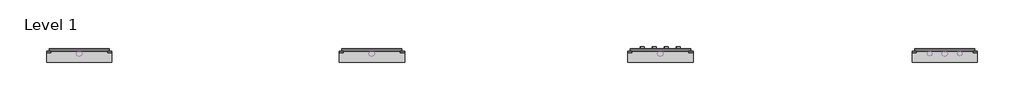
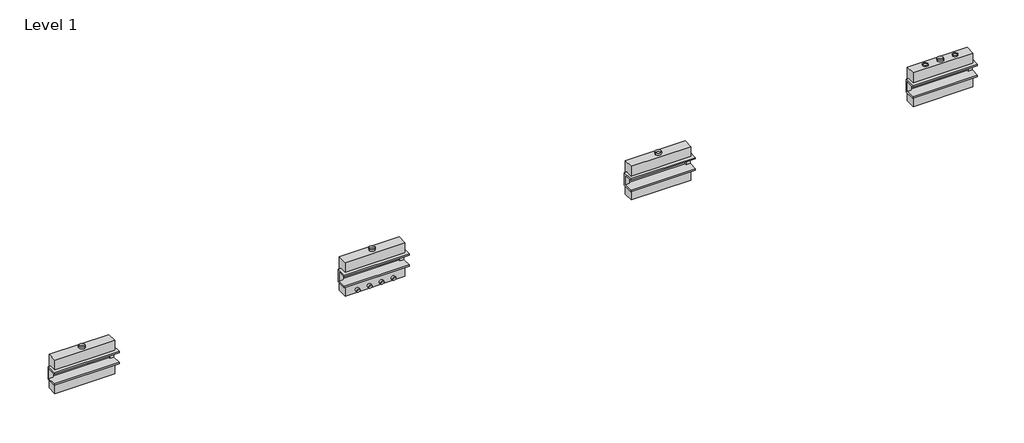
# One storey: 22 proxies.
"""IFC4 building model written with IfcOpenShell, lengths in millimetres."""

import ifcopenshell
import ifcopenshell.guid

model = None  # the IFC model being written
_history = None  # IfcOwnerHistory: only IFC2X3 demands one
_inside = {}  # id of a spatial element -> (the spatial element, [elements in it])
_under = {}  # id of a project, library or spatial element -> (it, [spatial elements below it])
_declared = {}  # id of a project -> (the project, [libraries it declares])
_typed = {}  # id of a type object -> (the type object, [elements of that type])
_made_of = {}  # id of a material, layer set ... -> (it, [elements and type objects made of it])


def new_model(schema):
    """Start an empty IFC model of exactly this schema.

    Asked for "IFC4X3", IfcOpenShell would pick the latest addendum, in which some entities
    have other attributes; the version numbers below select the first issue.
    IFC2X3 requires an IfcOwnerHistory on every rooted entity: one is made here for all.
    """
    global model, _history
    if schema == "IFC4X3":
        model = ifcopenshell.file(schema_version=(4, 3, 0, 0))
    else:
        model = ifcopenshell.file(schema=schema)
    _inside.clear()
    _under.clear()
    _declared.clear()
    _typed.clear()
    _made_of.clear()
    _history = None
    if model.schema == "IFC2X3":
        org = make("IfcOrganization", Name="unknown")
        user = make(
            "IfcPersonAndOrganization",
            ThePerson=make("IfcPerson", FamilyName="unknown"),
            TheOrganization=org,
        )
        app = make(
            "IfcApplication",
            ApplicationDeveloper=org,
            Version="unknown",
            ApplicationFullName="unknown",
            ApplicationIdentifier="unknown",
        )
        _history = make(
            "IfcOwnerHistory",
            OwningUser=user,
            OwningApplication=app,
            ChangeAction="ADDED",
            CreationDate=0,
        )
    return model


def make(cls, **values):
    """One entity of the class cls with the attributes given. An attribute that is None is left unset."""
    return model.create_entity(
        cls, **{name: value for name, value in values.items() if value is not None}
    )


def rooted(cls, **values):
    """An entity with a GlobalId (a new one), such as an element, a storey or a relation."""
    return make(cls, GlobalId=ifcopenshell.guid.new(), OwnerHistory=_history, **values)


def si_unit(unit_type, name, prefix=None):
    """IfcSIUnit, for example si_unit("LENGTHUNIT", "METRE", prefix="MILLI")."""
    return make("IfcSIUnit", UnitType=unit_type, Prefix=prefix, Name=name)


def assignment(units):
    """IfcUnitAssignment: the units of a project."""
    return None if units is None else make("IfcUnitAssignment", Units=units)


def point(xyz):
    """IfcCartesianPoint."""
    return None if xyz is None else make("IfcCartesianPoint", Coordinates=xyz)


def direction(xyz):
    """IfcDirection."""
    return None if xyz is None else make("IfcDirection", DirectionRatios=xyz)


def frame(location, z_axis=None, x_axis=None):
    """IfcAxis2Placement3D, a coordinate frame: its origin and axes. An axis left out is left unset."""
    return make(
        "IfcAxis2Placement3D",
        Location=point(location),
        Axis=direction(z_axis),
        RefDirection=direction(x_axis),
    )


def frame_2d(location, x_axis=None):
    """IfcAxis2Placement2D, a coordinate frame in the plane: its origin and x axis."""
    return make(
        "IfcAxis2Placement2D", Location=point(location), RefDirection=direction(x_axis)
    )


def origin():
    """The frame at (0, 0, 0) with its axes left unset."""
    return frame((0.0, 0.0, 0.0))


def origin_with_axes():
    """The frame at (0, 0, 0) with the z axis (0, 0, 1) and the x axis (1, 0, 0) written out."""
    return frame((0.0, 0.0, 0.0), z_axis=(0.0, 0.0, 1.0), x_axis=(1.0, 0.0, 0.0))


def origin_2d():
    """The frame at (0, 0) in the plane with its x axis left unset."""
    return frame_2d((0.0, 0.0))


def place(relative_to, where):
    """IfcLocalPlacement: puts the frame where relative to a parent placement (None: the world)."""
    return make(
        "IfcLocalPlacement", PlacementRelTo=relative_to, RelativePlacement=where
    )


def context(
    kind, dimensions, precision=None, world=None, true_north=None, identifier=None
):
    """IfcGeometricRepresentationContext, for example the 3D "Model" context."""
    return make(
        "IfcGeometricRepresentationContext",
        ContextIdentifier=identifier,
        ContextType=kind,
        CoordinateSpaceDimension=dimensions,
        Precision=precision,
        WorldCoordinateSystem=world,
        TrueNorth=true_north,
    )


def project(units=None, contexts=None):
    """IfcProject with its units and contexts."""
    return rooted(
        "IfcProject",
        Name="project",
        RepresentationContexts=contexts,
        UnitsInContext=assignment(units),
    )


def spatial(cls, under=None, at=None, **own):
    """A site, building, storey or space (cls), placed at a placement, below another one or the project."""
    s = rooted(cls, ObjectPlacement=at, **own)
    if under is not None:
        _under.setdefault(under.id(), (under, []))[1].append(s)
    return s


def polyline(points):
    """IfcPolyline through the points."""
    return make("IfcPolyline", Points=[point(p) for p in points])


def circle_curve(where, radius):
    """IfcCircle in the frame where."""
    return make("IfcCircle", Position=where, Radius=radius)


def trimmed(basis, trim1, trim2, sense, master):
    """IfcTrimmedCurve: the piece of a basis curve between two trims."""
    return make(
        "IfcTrimmedCurve",
        BasisCurve=basis,
        Trim1=trim1,
        Trim2=trim2,
        SenseAgreement=sense,
        MasterRepresentation=master,
    )


def segment(curve, same_sense, transition):
    """IfcCompositeCurveSegment."""
    return make(
        "IfcCompositeCurveSegment",
        Transition=transition,
        SameSense=same_sense,
        ParentCurve=curve,
    )


def composite_curve(segments, self_intersect=None):
    """IfcCompositeCurve: segments joined end to end."""
    return make("IfcCompositeCurve", Segments=segments, SelfIntersect=self_intersect)


def outline(outer, holes=None, kind="AREA"):
    """IfcArbitraryClosedProfileDef: a profile drawn as a closed curve; with holes, ...WithVoids."""
    if holes is None:
        return make("IfcArbitraryClosedProfileDef", ProfileType=kind, OuterCurve=outer)
    return make(
        "IfcArbitraryProfileDefWithVoids",
        ProfileType=kind,
        OuterCurve=outer,
        InnerCurves=holes,
    )


def extrude(swept, where, along, depth):
    """IfcExtrudedAreaSolid: the profile swept, set in the frame where, extruded along a direction by depth."""
    return make(
        "IfcExtrudedAreaSolid",
        SweptArea=swept,
        Position=where,
        ExtrudedDirection=direction(along),
        Depth=depth,
    )


def faces_of(points, faces, orient=None, outer=None):
    """IfcFace entities. A face is a list of loops; a loop is a list of indices into points, from 0.

    orient and outer hold one flag for each loop. By default every Orientation is true, the
    first loop of a face is its IfcFaceOuterBound and the others are IfcFaceBound.
    """
    made = []
    for i, loops in enumerate(faces):
        bounds = []
        for j, loop in enumerate(loops):
            is_outer = j == 0 if outer is None else outer[i][j]
            bounds.append(
                make(
                    "IfcFaceOuterBound" if is_outer else "IfcFaceBound",
                    Bound=make("IfcPolyLoop", Polygon=[points[k] for k in loop]),
                    Orientation=True if orient is None else orient[i][j],
                )
            )
        made.append(make("IfcFace", Bounds=bounds))
    return made


def faceted_brep(points, faces, orient=None, outer=None, voids=None):
    """IfcFacetedBrep: a solid bounded by flat faces; with voids (closed shells), ...WithVoids."""
    shared = [point(p) for p in points]
    hull = make("IfcClosedShell", CfsFaces=faces_of(shared, faces, orient, outer))
    if voids is None:
        return make("IfcFacetedBrep", Outer=hull)
    return make(
        "IfcFacetedBrepWithVoids",
        Outer=hull,
        Voids=[
            make(cls, CfsFaces=faces_of(shared, fs, o, b)) for cls, fs, o, b in voids
        ],
    )


def shape(context_of_items, identifier, shape_type, items):
    """IfcShapeRepresentation: the items that make up one representation, for example the "Body"."""
    return make(
        "IfcShapeRepresentation",
        ContextOfItems=context_of_items,
        RepresentationIdentifier=identifier,
        RepresentationType=shape_type,
        Items=items,
    )


def source(mapping_origin, context_of_items, identifier, shape_type, items):
    """IfcRepresentationMap: a shape defined once, which mapped items show again and again."""
    return make(
        "IfcRepresentationMap",
        MappingOrigin=mapping_origin,
        MappedRepresentation=shape(context_of_items, identifier, shape_type, items),
    )


def transform(
    local_origin,
    x_axis=None,
    y_axis=None,
    z_axis=None,
    scale=None,
    scale2=None,
    scale3=None,
    uniform=True,
):
    """IfcCartesianTransformationOperator3D, or its non-uniform kind. x_axis, y_axis, z_axis: its Axis1, 2, 3."""
    if uniform:
        return make(
            "IfcCartesianTransformationOperator3D",
            Axis1=direction(x_axis),
            Axis2=direction(y_axis),
            LocalOrigin=point(local_origin),
            Scale=scale,
            Axis3=direction(z_axis),
        )
    return make(
        "IfcCartesianTransformationOperator3DnonUniform",
        Axis1=direction(x_axis),
        Axis2=direction(y_axis),
        LocalOrigin=point(local_origin),
        Scale=scale,
        Axis3=direction(z_axis),
        Scale2=scale2,
        Scale3=scale3,
    )


def mapped(mapping_source, mapping_target):
    """IfcMappedItem: shows the shape of a source again, moved by a transform."""
    return make(
        "IfcMappedItem", MappingSource=mapping_source, MappingTarget=mapping_target
    )


def made_of(thing, what):
    """Note that an element or type object is made of a material, layer set ...; save() writes the relation."""
    if what is not None:
        _made_of.setdefault(what.id(), (what, []))[1].append(thing)
    return thing


def element(
    cls,
    number,
    at=None,
    inside=None,
    cuts=None,
    type_object=None,
    material=None,
    context=None,
    identifier="Body",
    shape_type=None,
    held_by="IfcProductDefinitionShape",
    body=None,
    shapes=None,
    **own,
):
    """One element of the class cls, such as IfcWall. Its Tag is "e" and its number.

    at: its placement. inside: the storey or other place that contains it. cuts: it is an
    opening in that element (IfcRelVoidsElement). A single representation is given by context,
    identifier, shape_type and body (its items); several are given by shapes. held_by: the class
    of the entity that holds the representations. save() writes the other relations.
    """
    e = rooted(cls, Tag="e%d" % number, ObjectPlacement=at, **own)
    if body is not None:
        shapes = [shape(context, identifier, shape_type, body)]
    if shapes is not None:
        e.Representation = make(held_by, Representations=shapes)
    if inside is not None:
        _inside.setdefault(inside.id(), (inside, []))[1].append(e)
    if cuts is not None:
        rooted(
            "IfcRelVoidsElement", RelatingBuildingElement=cuts, RelatedOpeningElement=e
        )
    if type_object is not None:
        _typed.setdefault(type_object.id(), (type_object, []))[1].append(e)
    return made_of(e, material)


def aggregate(whole, parts):
    """IfcRelAggregates: a whole, such as a stair, and the parts it consists of."""
    return rooted("IfcRelAggregates", RelatingObject=whole, RelatedObjects=parts)


def save(model, path):
    """Write the relations noted so far, then the file.

    IfcRelAggregates (storeys below a building ...), IfcRelContainedInSpatialStructure (elements
    in a storey), IfcRelDefinesByType, IfcRelAssociatesMaterial and IfcRelDeclares: one each for
    every whole, place, type object, material and project.
    """
    for whole, parts in _under.values():
        aggregate(whole, parts)
    for where, things in _inside.values():
        rooted(
            "IfcRelContainedInSpatialStructure",
            RelatedElements=things,
            RelatingStructure=where,
        )
    for kind, things in _typed.values():
        rooted("IfcRelDefinesByType", RelatedObjects=things, RelatingType=kind)
    for what, things in _made_of.values():
        rooted("IfcRelAssociatesMaterial", RelatedObjects=things, RelatingMaterial=what)
    for by, libraries in _declared.values():
        rooted("IfcRelDeclares", RelatingContext=by, RelatedDefinitions=libraries)
    model.write(path)


def as_specified_24277612(model_context):
    return source(origin(), model_context, "Body", "SolidModel", [
        faceted_brep([(-1612.9, 285.75, 139.7), (-1612.9, 361.95, 139.7), (-1612.9, 361.95, -393.7), (-1612.9, -298.45, -393.7), (-1612.9, -298.45, 139.7), (-1612.9, -222.25, 139.7), (-1612.9, -222.25, -317.5), (-1612.9, 285.75, -317.5), (1612.9, 285.75, 139.7), (1612.9, 285.75, -317.5), (1612.9, -222.25, -317.5), (1612.9, -222.25, 139.7), (1612.9, -298.45, 139.7), (1612.9, -298.45, -393.7), (1612.9, 361.95, -393.7), (1612.9, 361.95, 139.7), (1409.7, -222.25, -393.7), (1409.7, 285.75, -393.7), (-1409.7, 285.75, -393.7), (-1409.7, -222.25, -393.7), (1409.7, -222.25, -317.5), (-1409.7, -222.25, -317.5), (-1409.7, 285.75, -317.5), (1409.7, 285.75, -317.5)], [[[0, 1, 2, 3, 4, 5, 6, 7]], [[8, 9, 10, 11, 12, 13, 14, 15]], [[1, 0, 8, 15]], [[2, 1, 15, 14]], [[3, 2, 14, 13], [16, 17, 18, 19]], [[4, 3, 13, 12]], [[5, 4, 12, 11]], [[6, 5, 11, 10, 20, 16, 19, 21]], [[7, 6, 21, 22]], [[10, 9, 23, 20]], [[0, 7, 22, 18, 17, 23, 9, 8]], [[16, 20, 23, 17]], [[21, 19, 18, 22]]]),
        extrude(outline(polyline([(882.65, -25.4), (882.65, -523.9742188), (-882.65, -523.9742188), (-882.65, -25.4), (-298.45, -25.4), (-298.45, -393.7), (361.95, -393.7), (361.95, -25.4), (882.65, -25.4)])), frame((-1485.9, 0.0, 0.0), z_axis=(1.0, 0.0, 0.0), x_axis=(0.0, 1.0, 0.0)), (0.0, 0.0, 1.0), 2971.8),
    ])


def duct_dia_61f3b6dd(model_context):
    return source(origin(), model_context, "Body", "SweptSolid", [
        extrude(outline(composite_curve([segment(trimmed(circle_curve(origin_2d(), 125.4621094), [point((-125.4621094, 0.0))], [point((125.4621094, 0.0))], False, "CARTESIAN"), True, "CONTINUOUS"), segment(trimmed(circle_curve(origin_2d(), 125.4621094), [point((125.4621094, 0.0))], [point((-125.4621094, 0.0))], False, "CARTESIAN"), True, "CONTINUOUS")], self_intersect=False), holes=[composite_curve([segment(trimmed(circle_curve(origin_2d(), 123.8746094), [point((-123.8746094, 0.0))], [point((123.8746094, 0.0))], True, "CARTESIAN"), True, "CONTINUOUS"), segment(trimmed(circle_curve(origin_2d(), 123.8746094), [point((123.8746094, 0.0))], [point((-123.8746094, 0.0))], True, "CARTESIAN"), True, "CONTINUOUS")], self_intersect=False)]), origin_with_axes(), (0.0, 0.0, 1.0), 50.8),
    ])


def proxy_814ff0a6(model_context):
    return source(origin(), model_context, "Body", "SweptSolid", [
        extrude(outline(composite_curve([segment(trimmed(circle_curve(origin_2d(), 149.225), [point((-149.225, 0.0))], [point((149.225, 0.0))], False, "CARTESIAN"), True, "CONTINUOUS"), segment(trimmed(circle_curve(origin_2d(), 149.225), [point((149.225, 0.0))], [point((-149.225, 0.0))], False, "CARTESIAN"), True, "CONTINUOUS")], self_intersect=False), holes=[composite_curve([segment(trimmed(circle_curve(origin_2d(), 147.6375), [point((-147.6375, 0.0))], [point((147.6375, 0.0))], True, "CARTESIAN"), True, "CONTINUOUS"), segment(trimmed(circle_curve(origin_2d(), 147.6375), [point((147.6375, 0.0))], [point((-147.6375, 0.0))], True, "CARTESIAN"), True, "CONTINUOUS")], self_intersect=False)]), origin_with_axes(), (0.0, 0.0, 1.0), 101.6),
    ])


def proxy_5643af6b(model_context):
    return source(origin(), model_context, "Body", "SweptSolid", [
        extrude(outline(composite_curve([segment(trimmed(circle_curve(origin_2d(), 100.0125), [point((-100.0125, 0.0))], [point((100.0125, 0.0))], False, "CARTESIAN"), True, "CONTINUOUS"), segment(trimmed(circle_curve(origin_2d(), 100.0125), [point((100.0125, 0.0))], [point((-100.0125, 0.0))], False, "CARTESIAN"), True, "CONTINUOUS")], self_intersect=False), holes=[composite_curve([segment(trimmed(circle_curve(origin_2d(), 98.425), [point((-98.425, 0.0))], [point((98.425, 0.0))], True, "CARTESIAN"), True, "CONTINUOUS"), segment(trimmed(circle_curve(origin_2d(), 98.425), [point((98.425, 0.0))], [point((-98.425, 0.0))], True, "CARTESIAN"), True, "CONTINUOUS")], self_intersect=False)]), origin_with_axes(), (0.0, 0.0, 1.0), 101.6),
    ])


def proxy_c1ba4f62(model_context):
    return source(origin(), model_context, "Body", "SweptSolid", [
        extrude(outline(composite_curve([segment(trimmed(circle_curve(origin_2d(), 103.1875), [point((-103.1875, 0.0))], [point((103.1875, 0.0))], False, "CARTESIAN"), True, "CONTINUOUS"), segment(trimmed(circle_curve(origin_2d(), 103.1875), [point((103.1875, 0.0))], [point((-103.1875, 0.0))], False, "CARTESIAN"), True, "CONTINUOUS")], self_intersect=False), holes=[composite_curve([segment(trimmed(circle_curve(origin_2d(), 101.6), [point((-101.6, 0.0))], [point((101.6, 0.0))], True, "CARTESIAN"), True, "CONTINUOUS"), segment(trimmed(circle_curve(origin_2d(), 101.6), [point((101.6, 0.0))], [point((-101.6, 0.0))], True, "CARTESIAN"), True, "CONTINUOUS")], self_intersect=False)]), origin_with_axes(), (0.0, 0.0, 1.0), 6.35),
    ])


model = new_model("IFC4")

# Units and contexts
model_context = context("Model", 3, world=origin())
ifc_project = project(units=[si_unit("LENGTHUNIT", "METRE", prefix="MILLI")], contexts=[model_context])

# Site, building, storey
site = spatial("IfcSite", under=ifc_project)
building = spatial("IfcBuilding", under=site)
storey = spatial("IfcBuildingStorey", under=building, Name="Level 1", Elevation=0.0)

# Proxies
placement = place(None, origin())
as_specified_shape = as_specified_24277612(model_context)
element("IfcBuildingElementProxy", 1, Name="As Specified", ObjectType="As Specified", at=placement, inside=storey, context=model_context, shape_type="MappedRepresentation", body=[
    mapped(as_specified_shape, transform((565.6597121, 1616.7712992, 1144.6311604), x_axis=(1.0, 0.0, 0.0), y_axis=(0.0, 0.0, 1.0), z_axis=(0.0, -1.0, 0.0))),
])
element("IfcBuildingElementProxy", 2, Name="As Specified", ObjectType="As Specified", at=placement, inside=storey, context=model_context, shape_type="MappedRepresentation", body=[
    mapped(as_specified_shape, transform((14791.2574402, 1616.7712992, 1219.2), x_axis=(1.0, 0.0, 0.0), y_axis=(0.0, 0.0, 1.0), z_axis=(0.0, -1.0, 0.0))),
])
element("IfcBuildingElementProxy", 3, Name="As Specified", ObjectType="As Specified", at=placement, inside=storey, context=model_context, shape_type="MappedRepresentation", body=[
    mapped(as_specified_shape, transform((28812.0574402, 1616.7712992, 1219.2), x_axis=(1.0, 0.0, 0.0), y_axis=(0.0, 0.0, 1.0), z_axis=(0.0, -1.0, 0.0))),
])
element("IfcBuildingElementProxy", 4, Name="As Specified", ObjectType="As Specified", at=placement, inside=storey, context=model_context, shape_type="MappedRepresentation", body=[
    mapped(as_specified_shape, transform((-13859.9425598, 1616.7712992, 1066.8), x_axis=(1.0, 0.0, 0.0), y_axis=(0.0, 0.0, 1.0), z_axis=(0.0, -1.0, 0.0))),
])
duct_dia_shape = duct_dia_61f3b6dd(model_context)
element("IfcBuildingElementProxy", 5, Name="Duct Dia", ObjectType="Duct Dia", at=placement, inside=storey, context=model_context, shape_type="MappedRepresentation", body=[
    mapped(duct_dia_shape, transform((28069.1074402, 1891.4584086, 2101.85), x_axis=(1.0, 0.0, 0.0), y_axis=(0.0, 1.0, 0.0), z_axis=(0.0, 0.0, 1.0))),
])
element("IfcBuildingElementProxy", 6, Name="Duct Dia", ObjectType="Duct Dia", at=placement, inside=storey, context=model_context, shape_type="MappedRepresentation", body=[
    mapped(duct_dia_shape, transform((29555.0074402, 1891.4584086, 2101.85), x_axis=(1.0, 0.0, 0.0), y_axis=(0.0, 1.0, 0.0), z_axis=(0.0, 0.0, 1.0))),
])
proxy_shape = proxy_814ff0a6(model_context)
element("IfcBuildingElementProxy", 7, Name="Duct Dia : 11 3/4\" Dia", ObjectType="Duct Dia : 11 3/4\" Dia", at=placement, inside=storey, context=model_context, shape_type="MappedRepresentation", body=[
    mapped(proxy_shape, transform((-13859.9425598, 1891.4584086, 1949.45), x_axis=(1.0, 0.0, 0.0), y_axis=(0.0, 1.0, 0.0), z_axis=(0.0, 0.0, 1.0))),
])
element("IfcBuildingElementProxy", 8, Name="Duct Dia : 11 3/4\" Dia", ObjectType="Duct Dia : 11 3/4\" Dia", at=placement, inside=storey, context=model_context, shape_type="MappedRepresentation", body=[
    mapped(proxy_shape, transform((565.6597121, 1891.4584086, 2027.2811604), x_axis=(1.0, 0.0, 0.0), y_axis=(0.0, 1.0, 0.0), z_axis=(0.0, 0.0, 1.0))),
])
element("IfcBuildingElementProxy", 9, Name="Duct Dia : 11 3/4\" Dia", ObjectType="Duct Dia : 11 3/4\" Dia", at=placement, inside=storey, context=model_context, shape_type="MappedRepresentation", body=[
    mapped(proxy_shape, transform((14791.2574402, 1891.4584086, 2101.85), x_axis=(1.0, 0.0, 0.0), y_axis=(0.0, 1.0, 0.0), z_axis=(0.0, 0.0, 1.0))),
])
element("IfcBuildingElementProxy", 10, Name="Duct Dia : 11 3/4\" Dia", ObjectType="Duct Dia : 11 3/4\" Dia", at=placement, inside=storey, context=model_context, shape_type="MappedRepresentation", body=[
    mapped(proxy_shape, transform((28812.0574402, 1891.4584086, 2101.85), x_axis=(1.0, 0.0, 0.0), y_axis=(0.0, 1.0, 0.0), z_axis=(0.0, 0.0, 1.0))),
])
proxy_2_shape = proxy_5643af6b(model_context)
element("IfcBuildingElementProxy", 11, Name="Duct Dia : 7 7/8\" Dia", ObjectType="Duct Dia : 7 7/8\" Dia", at=placement, inside=storey, context=model_context, shape_type="MappedRepresentation", body=[
    mapped(proxy_2_shape, transform((862.8397121, 1642.1712992, 414.3811604), x_axis=(1.0, 0.0, 0.0), y_axis=(0.0, 0.0, 1.0), z_axis=(0.0, -1.0, 0.0))),
])
element("IfcBuildingElementProxy", 12, Name="Duct Dia : 7 7/8\" Dia", ObjectType="Duct Dia : 7 7/8\" Dia", at=placement, inside=storey, context=model_context, shape_type="MappedRepresentation", body=[
    mapped(proxy_2_shape, transform((1457.1997121, 1642.1712992, 414.3811604), x_axis=(1.0, 0.0, 0.0), y_axis=(0.0, 0.0, 1.0), z_axis=(0.0, -1.0, 0.0))),
])
element("IfcBuildingElementProxy", 13, Name="Duct Dia : 7 7/8\" Dia", ObjectType="Duct Dia : 7 7/8\" Dia", at=placement, inside=storey, context=model_context, shape_type="MappedRepresentation", body=[
    mapped(proxy_2_shape, transform((268.4797121, 1642.1712992, 414.3811604), x_axis=(1.0, 0.0, 0.0), y_axis=(0.0, 0.0, 1.0), z_axis=(0.0, -1.0, 0.0))),
])
element("IfcBuildingElementProxy", 14, Name="Duct Dia : 7 7/8\" Dia", ObjectType="Duct Dia : 7 7/8\" Dia", at=placement, inside=storey, context=model_context, shape_type="MappedRepresentation", body=[
    mapped(proxy_2_shape, transform((-325.8802879, 1642.1712992, 414.3811604), x_axis=(1.0, 0.0, 0.0), y_axis=(0.0, 0.0, 1.0), z_axis=(0.0, -1.0, 0.0))),
])
element("IfcBuildingElementProxy", 15, Name="Duct Dia : 7 7/8\" Dia", ObjectType="Duct Dia : 7 7/8\" Dia", at=placement, inside=storey, context=model_context, shape_type="MappedRepresentation", body=[
    mapped(proxy_2_shape, transform((15088.4374402, 2140.745518, 488.95), x_axis=(1.0, 0.0, 0.0), y_axis=(0.0, 0.0, -1.0), z_axis=(0.0, 1.0, 0.0))),
])
element("IfcBuildingElementProxy", 16, Name="Duct Dia : 7 7/8\" Dia", ObjectType="Duct Dia : 7 7/8\" Dia", at=placement, inside=storey, context=model_context, shape_type="MappedRepresentation", body=[
    mapped(proxy_2_shape, transform((15682.7974402, 2140.745518, 488.95), x_axis=(1.0, 0.0, 0.0), y_axis=(0.0, 0.0, -1.0), z_axis=(0.0, 1.0, 0.0))),
])
element("IfcBuildingElementProxy", 17, Name="Duct Dia : 7 7/8\" Dia", ObjectType="Duct Dia : 7 7/8\" Dia", at=placement, inside=storey, context=model_context, shape_type="MappedRepresentation", body=[
    mapped(proxy_2_shape, transform((14494.0774402, 2140.745518, 488.95), x_axis=(1.0, 0.0, 0.0), y_axis=(0.0, 0.0, -1.0), z_axis=(0.0, 1.0, 0.0))),
])
element("IfcBuildingElementProxy", 18, Name="Duct Dia : 7 7/8\" Dia", ObjectType="Duct Dia : 7 7/8\" Dia", at=placement, inside=storey, context=model_context, shape_type="MappedRepresentation", body=[
    mapped(proxy_2_shape, transform((13899.7174402, 2140.745518, 488.95), x_axis=(1.0, 0.0, 0.0), y_axis=(0.0, 0.0, -1.0), z_axis=(0.0, 1.0, 0.0))),
])
proxy_3_shape = proxy_c1ba4f62(model_context)
element("IfcBuildingElementProxy", 19, Name="Duct Dia : 8 1/8\" Dia", ObjectType="Duct Dia : 8 1/8\" Dia", at=placement, inside=storey, context=model_context, shape_type="MappedRepresentation", body=[
    mapped(proxy_3_shape, transform((-13562.7625598, 1891.4584086, 184.15), x_axis=(-1.0, 0.0, 0.0), y_axis=(0.0, 1.0, 0.0), z_axis=(0.0, 0.0, -1.0))),
])
element("IfcBuildingElementProxy", 20, Name="Duct Dia : 8 1/8\" Dia", ObjectType="Duct Dia : 8 1/8\" Dia", at=placement, inside=storey, context=model_context, shape_type="MappedRepresentation", body=[
    mapped(proxy_3_shape, transform((-14751.4825598, 1891.4584086, 184.15), x_axis=(-1.0, 0.0, 0.0), y_axis=(0.0, 1.0, 0.0), z_axis=(0.0, 0.0, -1.0))),
])
element("IfcBuildingElementProxy", 21, Name="Duct Dia : 8 1/8\" Dia", ObjectType="Duct Dia : 8 1/8\" Dia", at=placement, inside=storey, context=model_context, shape_type="MappedRepresentation", body=[
    mapped(proxy_3_shape, transform((-14157.1225598, 1891.4584086, 184.15), x_axis=(-1.0, 0.0, 0.0), y_axis=(0.0, 1.0, 0.0), z_axis=(0.0, 0.0, -1.0))),
])
element("IfcBuildingElementProxy", 22, Name="Duct Dia : 8 1/8\" Dia", ObjectType="Duct Dia : 8 1/8\" Dia", at=placement, inside=storey, context=model_context, shape_type="MappedRepresentation", body=[
    mapped(proxy_3_shape, transform((-12968.4025598, 1891.4584086, 184.15), x_axis=(1.0, 0.0, 0.0), y_axis=(0.0, -1.0, 0.0), z_axis=(0.0, 0.0, -1.0))),
])

save(model, "model.ifc")
